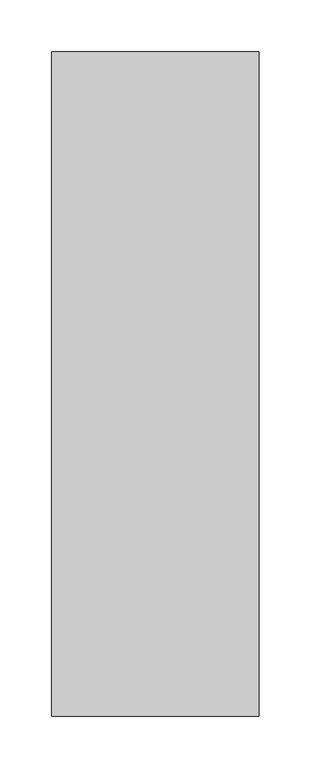
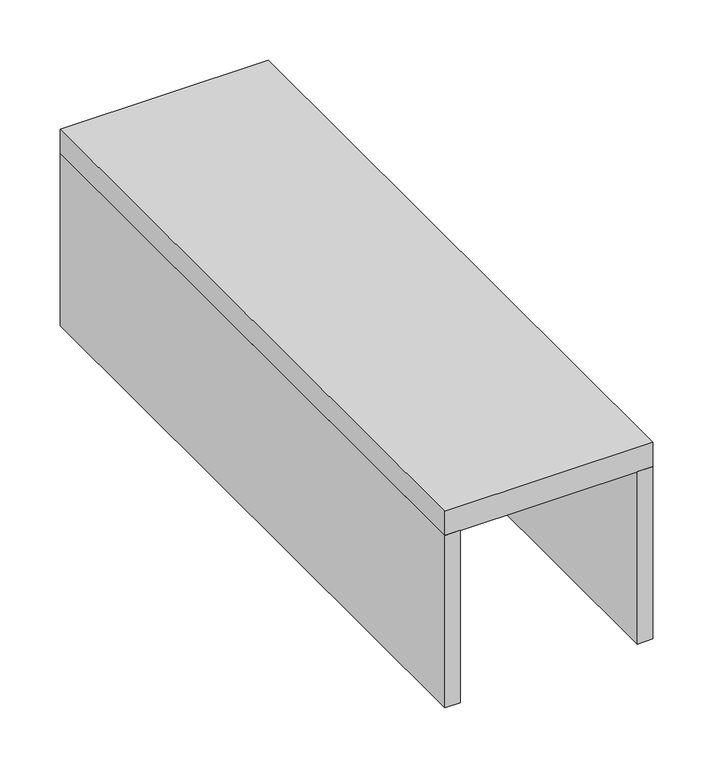
"""IFC4 building model written with IfcOpenShell, lengths in millimetres: beam geometry."""

from ifc_helpers import new_model, si_unit, frame, origin, place, context, project, spatial, polyline, outline, extrude, source, transform, mapped, element, save


def beam_c722d352(model_context):
    return source(origin(), model_context, "Body", "SweptSolid", [
        extrude(outline(polyline([(-1089.1527719, 1652.0761148), (-1074.1527719, 1652.0761148), (-1074.1527719, 1012.0761148), (-1089.1527719, 1012.0761148), (-1089.1527719, 1652.0761148)])), frame((0.0, 0.0, 9.999841), z_axis=(0.0, 0.0, 1.0), x_axis=(1.0, 0.0, 0.0)), (0.0, 0.0, 1.0), 175.000007),
        extrude(outline(polyline([(-904.1527719, 1652.0761148), (-889.1527719, 1652.0761148), (-889.1527719, 1012.0761148), (-904.1527719, 1012.0761148), (-904.1527719, 1652.0761148)])), frame((0.0, 0.0, 9.999841), z_axis=(0.0, 0.0, 1.0), x_axis=(1.0, 0.0, 0.0)), (0.0, 0.0, 1.0), 175.000007),
        extrude(outline(polyline([(-1089.1527719, 1652.0761148), (-889.1527719, 1652.0761148), (-889.1527719, 1012.0761148), (-1089.1527719, 1012.0761148), (-1089.1527719, 1652.0761148)])), frame((0.0, 0.0, 184.999848), z_axis=(0.0, 0.0, 1.0), x_axis=(1.0, 0.0, 0.0)), (0.0, 0.0, 1.0), 25.000006),
    ])


if __name__ == "__main__":
    model = new_model("IFC4")
    model_context = context("Model", 3, world=origin())
    ifc_project = project(units=[si_unit("LENGTHUNIT", "METRE", prefix="MILLI")], contexts=[model_context])
    site = spatial("IfcSite", under=ifc_project)
    building = spatial("IfcBuilding", under=site)
    placement = place(None, origin())
    beam_shape = beam_c722d352(model_context)
    element("IfcBeam", 1, at=placement, inside=building, context=model_context, shape_type="MappedRepresentation", body=[
        mapped(beam_shape, transform((0.0, 0.0, 0.0), x_axis=(1.0, 0.0, 0.0), y_axis=(0.0, 1.0, 0.0), z_axis=(0.0, 0.0, 1.0))),
    ])
    save(model, "model.ifc")
